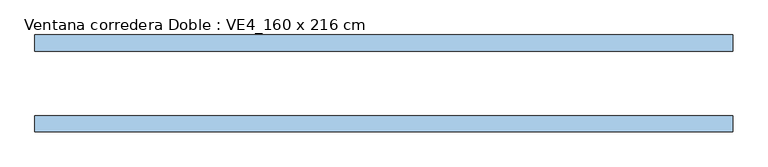
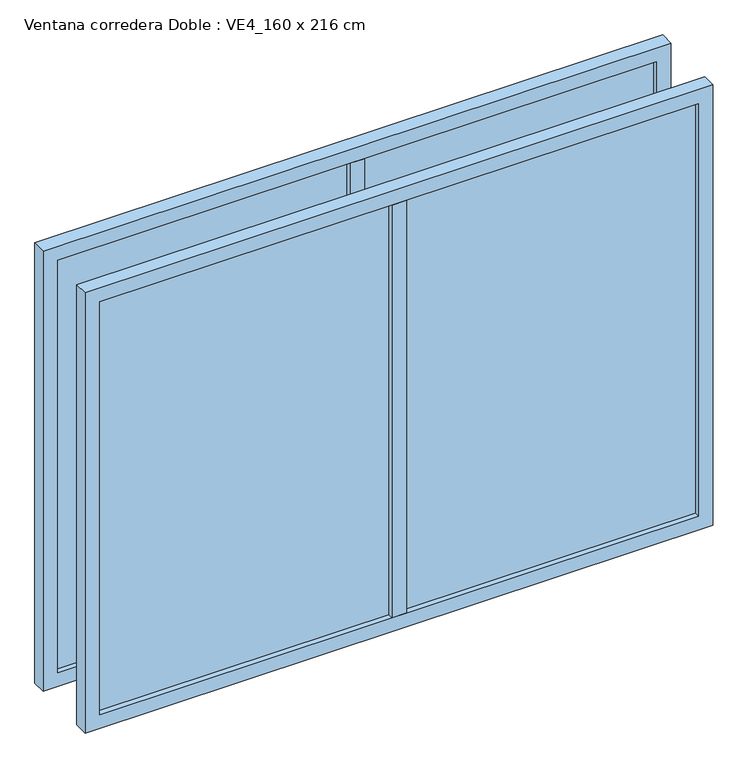
"""IFC4 building model written with IfcOpenShell, lengths in millimetres: window geometry, Ventana corredera Doble : VE4_160 x 216 cm."""

from ifc_helpers import new_model, si_unit, frame, origin, place, context, project, spatial, polyline, outline, extrude, source, transform, mapped, element, save


def ventana_corredera_doble_ve4_160_x_216_cm_3eafb15d(model_context):
    return source(origin(), model_context, "Body", "SweptSolid", [
        extrude(outline(polyline([(-25.0, -150.0), (-25.0, -100.0), (25.0, -100.0), (25.0, -150.0), (-25.0, -150.0)])), frame((0.0, 0.0, 850.0), z_axis=(0.0, 0.0, 1.0), x_axis=(1.0, 0.0, 0.0)), (0.0, 0.0, 1.0), 1500.0),
        extrude(outline(polyline([(1030.0, -131.5), (-1030.0, -131.5), (-1030.0, -118.5), (1030.0, -118.5), (1030.0, -131.5)])), frame((0.0, 0.0, 850.0), z_axis=(0.0, 0.0, 1.0), x_axis=(1.0, 0.0, 0.0)), (0.0, 0.0, 1.0), 1500.0),
        extrude(outline(polyline([(800.0, 1080.0), (2400.0, 1080.0), (2400.0, -1080.0), (800.0, -1080.0), (800.0, 1080.0)]), holes=[polyline([(2350.0, 1030.0), (850.0, 1030.0), (850.0, -1030.0), (2350.0, -1030.0), (2350.0, 1030.0)])]), frame((0.0, -150.0, 0.0), z_axis=(0.0, 1.0, 0.0), x_axis=(0.0, 0.0, 1.0)), (0.0, 0.0, 1.0), 50.0),
        extrude(outline(polyline([(-25.0, 150.0), (25.0, 150.0), (25.0, 100.0), (-25.0, 100.0), (-25.0, 150.0)])), frame((0.0, 0.0, 850.0), z_axis=(0.0, 0.0, 1.0), x_axis=(1.0, 0.0, 0.0)), (0.0, 0.0, 1.0), 1500.0),
        extrude(outline(polyline([(1030.0, 131.5), (1030.0, 118.5), (-1030.0, 118.5), (-1030.0, 131.5), (1030.0, 131.5)])), frame((0.0, 0.0, 850.0), z_axis=(0.0, 0.0, 1.0), x_axis=(1.0, 0.0, 0.0)), (0.0, 0.0, 1.0), 1500.0),
        extrude(outline(polyline([(2400.0, 1080.0), (2400.0, -1080.0), (800.0, -1080.0), (800.0, 1080.0), (2400.0, 1080.0)]), holes=[polyline([(850.0, 1030.0), (850.0, -1030.0), (2350.0, -1030.0), (2350.0, 1030.0), (850.0, 1030.0)])]), frame((0.0, 100.0, 0.0), z_axis=(0.0, 1.0, 0.0), x_axis=(0.0, 0.0, 1.0)), (0.0, 0.0, 1.0), 50.0),
    ])


if __name__ == "__main__":
    model = new_model("IFC4")
    model_context = context("Model", 3, world=origin())
    ifc_project = project(units=[si_unit("LENGTHUNIT", "METRE", prefix="MILLI")], contexts=[model_context])
    site = spatial("IfcSite", under=ifc_project)
    building = spatial("IfcBuilding", under=site)
    placement = place(None, origin())
    ventana_corredera_doble_ve4_160_x_216_cm_shape = ventana_corredera_doble_ve4_160_x_216_cm_3eafb15d(model_context)
    element("IfcWindow", 1, ObjectType="Ventana corredera Doble : VE4_160 x 216 cm", at=placement, inside=building, context=model_context, shape_type="MappedRepresentation", body=[
        mapped(ventana_corredera_doble_ve4_160_x_216_cm_shape, transform((0.0, 0.0, 0.0), x_axis=(1.0, 0.0, 0.0), y_axis=(0.0, 1.0, 0.0), z_axis=(0.0, 0.0, 1.0))),
    ])
    save(model, "model.ifc")
